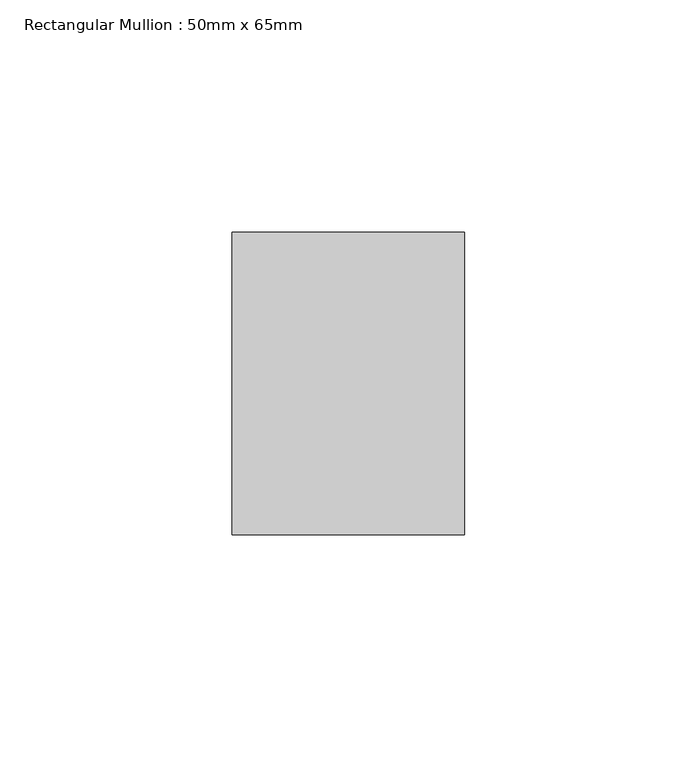
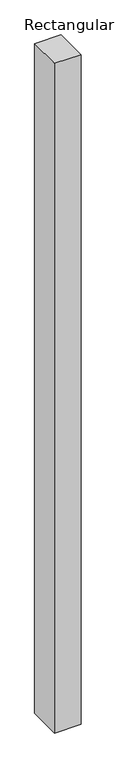
"""IFC4 building model written with IfcOpenShell, lengths in millimetres: member geometry, Rectangular Mullion : 50mm x 65mm."""

from ifc_helpers import new_model, si_unit, frame, origin, place, context, project, spatial, polyline, outline, extrude, source, transform, mapped, element, save


def rectangular_mullion_50mm_x_65mm_68ebb85c(model_context):
    return source(origin(), model_context, "Body", "SweptSolid", [
        extrude(outline(polyline([(25.0, 32.5), (25.0, -32.5), (-25.0, -32.5), (-25.0, 32.5), (25.0, 32.5)])), frame((0.0, 0.0, -1337.4793161), z_axis=(0.0, 0.0, 1.0), x_axis=(1.0, 0.0, 0.0)), (0.0, 0.0, 1.0), 1337.4793161),
    ])


if __name__ == "__main__":
    model = new_model("IFC4")
    model_context = context("Model", 3, world=origin())
    ifc_project = project(units=[si_unit("LENGTHUNIT", "METRE", prefix="MILLI")], contexts=[model_context])
    site = spatial("IfcSite", under=ifc_project)
    building = spatial("IfcBuilding", under=site)
    placement = place(None, origin())
    rectangular_mullion_50mm_x_65mm_shape = rectangular_mullion_50mm_x_65mm_68ebb85c(model_context)
    element("IfcMember", 1, ObjectType="Rectangular Mullion : 50mm x 65mm", at=placement, inside=building, context=model_context, shape_type="MappedRepresentation", body=[
        mapped(rectangular_mullion_50mm_x_65mm_shape, transform((0.0, 0.0, 0.0), x_axis=(1.0, 0.0, 0.0), y_axis=(0.0, 1.0, 0.0), z_axis=(0.0, 0.0, 1.0))),
    ])
    save(model, "model.ifc")
